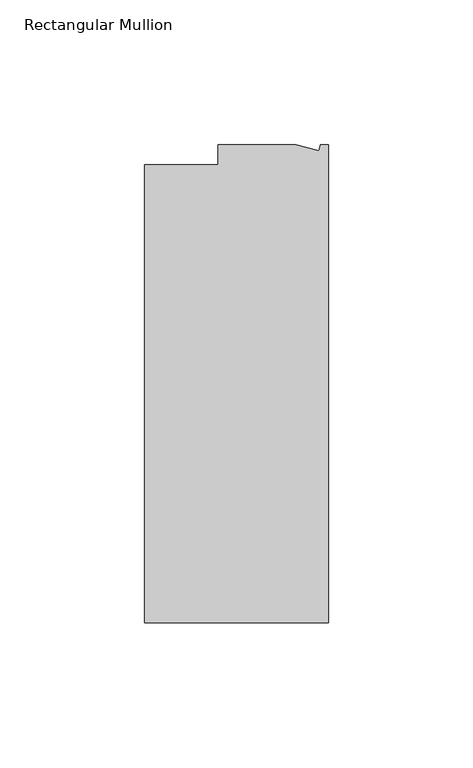
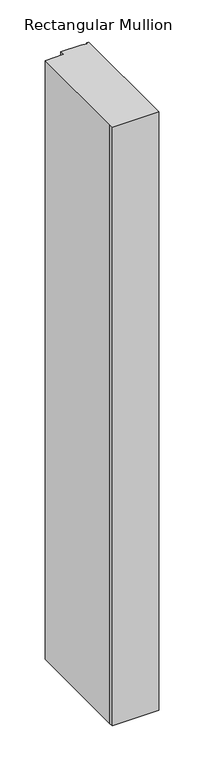
"""IFC4 building model written with IfcOpenShell, lengths in millimetres: member geometry, Rectangular Mullion."""

from ifc_helpers import new_model, si_unit, frame, origin, place, context, project, spatial, polyline, outline, extrude, source, transform, mapped, element, save


def rectangular_mullion_5d4e5103(model_context):
    return source(origin(), model_context, "Body", "SweptSolid", [
        extrude(outline(polyline([(0.0, -131.0674452), (-63.5, -131.0674452), (-63.5, -124.7174452), (-63.5, 27.0729548), (-38.1, 27.0729548), (-38.1, 34.0325548), (-11.1125, 34.0325548), (-3.3223696, 31.9451957), (-2.7630634, 34.0325548), (0.0, 34.0325548), (0.0, -131.0674452)])), frame((0.0, 0.0, -863.6), z_axis=(0.0, 0.0, 1.0), x_axis=(1.0, 0.0, 0.0)), (0.0, 0.0, 1.0), 863.6),
    ])


if __name__ == "__main__":
    model = new_model("IFC4")
    model_context = context("Model", 3, world=origin())
    ifc_project = project(units=[si_unit("LENGTHUNIT", "METRE", prefix="MILLI")], contexts=[model_context])
    site = spatial("IfcSite", under=ifc_project)
    building = spatial("IfcBuilding", under=site)
    placement = place(None, origin())
    rectangular_mullion_shape = rectangular_mullion_5d4e5103(model_context)
    element("IfcMember", 1, ObjectType="Rectangular Mullion", at=placement, inside=building, context=model_context, shape_type="MappedRepresentation", body=[
        mapped(rectangular_mullion_shape, transform((0.0, 0.0, 0.0), x_axis=(1.0, 0.0, 0.0), y_axis=(0.0, 1.0, 0.0), z_axis=(0.0, 0.0, 1.0))),
    ])
    save(model, "model.ifc")
